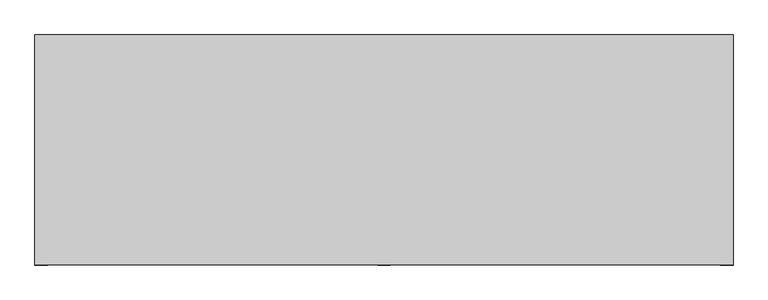
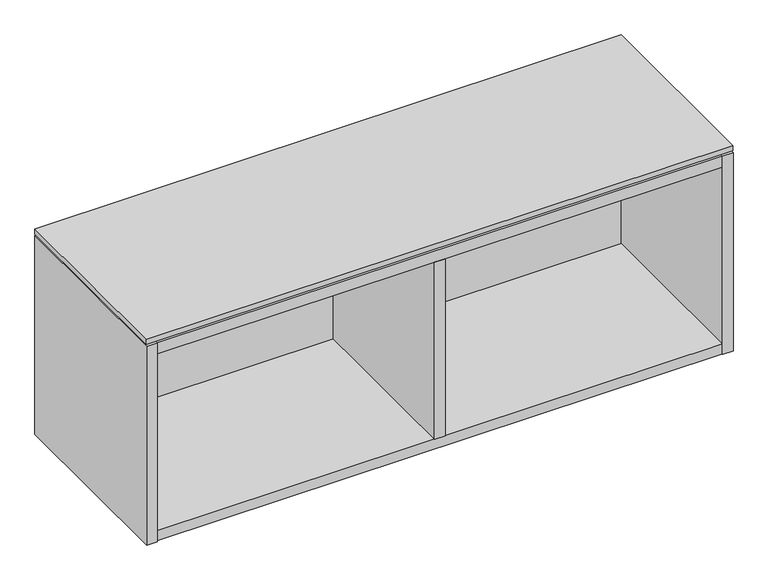
"""IFC4 building model written with IfcOpenShell, lengths in millimetres: furniture geometry."""

from ifc_helpers import new_model, si_unit, frame, origin, place, context, project, spatial, polyline, outline, extrude, faceted_brep, source, transform, mapped, element, save


def furniture_6424af9d(model_context):
    return source(origin(), model_context, "Body", "SolidModel", [
        extrude(outline(polyline([(606.6234375, -191.0115724), (-457.2, -191.0115724), (-457.2, 158.8226276), (606.6234375, 158.8226276), (606.6234375, -191.0115724)])), frame((0.0, 0.0, 917.702), z_axis=(0.0, 0.0, 1.0), x_axis=(1.0, 0.0, 0.0)), (0.0, 0.0, 1.0), 9.779),
        extrude(outline(polyline([(-437.896, 145.5282676), (-437.896, 158.8226276), (587.3194375, 158.8226276), (587.3194375, 145.5282676), (-437.896, 145.5282676)])), frame((0.0, 0.0, 816.51475), z_axis=(0.0, 0.0, 1.0), x_axis=(1.0, 0.0, 0.0)), (0.0, 0.0, 1.0), 76.2),
        extrude(outline(polyline([(84.3637187, -191.7735724), (65.0597187, -191.7735724), (65.0597187, 126.2242676), (84.3637187, 126.2242676), (84.3637187, -191.7735724)])), frame((0.0, 0.0, 553.466), z_axis=(0.0, 0.0, 1.0), x_axis=(1.0, 0.0, 0.0)), (0.0, 0.0, 1.0), 339.24875),
        faceted_brep([(587.3194375, -191.0115724, 553.466), (-437.896, -191.0115724, 553.466), (-437.896, -191.0115724, 534.162), (587.3194375, -191.0115724, 534.162), (-437.896, 145.5282676, 892.71475), (587.3194375, 145.5282676, 892.71475), (587.3194375, 145.5282676, 533.4), (-437.896, 145.5282676, 533.4), (587.3194375, 126.2242676, 553.466), (-437.896, 126.2242676, 553.466), (-437.896, 126.2242676, 534.162), (587.3194375, 126.2242676, 534.162), (-437.896, 158.8226276, 914.4), (-457.2, 158.8226276, 914.4), (-457.2, -191.7735724, 914.4), (-437.896, -191.7735724, 914.4), (587.3194375, -191.7735724, 914.4), (606.6234375, -191.7735724, 914.4), (606.6234375, 158.8226276, 914.4), (587.3194375, 158.8226276, 914.4), (-437.896, -191.7735724, 533.4), (-457.2, -191.7735724, 533.4), (-457.2, 158.8226276, 533.4), (-437.896, 158.8226276, 533.4), (587.3194375, 158.8226276, 533.4), (606.6234375, 158.8226276, 533.4), (606.6234375, -191.7735724, 533.4), (587.3194375, -191.7735724, 533.4), (587.3194375, 126.2242676, 533.4), (-437.896, 126.2242676, 533.4), (-437.896, 158.8226276, 913.638), (587.3194375, 158.8226276, 913.638), (587.3194375, 158.8226276, 892.71475), (-437.896, 158.8226276, 892.71475), (-437.896, 126.2242676, 892.71475), (-437.896, -191.0115724, 892.71475), (-437.896, -191.0115724, 913.638), (587.3194375, -191.0115724, 913.638), (587.3194375, -191.0115724, 892.71475), (587.3194375, 126.2242676, 892.71475)], [[[0, 1, 2, 3]], [[4, 5, 6, 7]], [[1, 0, 8, 9]], [[3, 2, 10, 11]], [[12, 13, 14, 15]], [[16, 17, 18, 19]], [[20, 21, 22, 23, 7, 6, 24, 25, 26, 27, 28, 29]], [[13, 12, 30, 31, 19, 18, 25, 24, 32, 33, 23, 22]], [[14, 13, 22, 21]], [[15, 14, 21, 20]], [[4, 7, 23, 33]], [[12, 15, 20, 29, 10, 2, 1, 9, 34, 35, 36, 30]], [[6, 5, 32, 24]], [[16, 19, 31, 37, 38, 39, 8, 0, 3, 11, 28, 27]], [[17, 16, 27, 26]], [[18, 17, 26, 25]], [[37, 36, 35, 38]], [[36, 37, 31, 30]], [[33, 32, 5, 4]], [[38, 35, 34, 39]], [[9, 8, 39, 34]], [[29, 28, 11, 10]]]),
    ])


if __name__ == "__main__":
    model = new_model("IFC4")
    model_context = context("Model", 3, world=origin())
    ifc_project = project(units=[si_unit("LENGTHUNIT", "METRE", prefix="MILLI")], contexts=[model_context])
    site = spatial("IfcSite", under=ifc_project)
    building = spatial("IfcBuilding", under=site)
    placement = place(None, origin())
    furniture_shape = furniture_6424af9d(model_context)
    element("IfcFurniture", 1, at=placement, inside=building, context=model_context, shape_type="MappedRepresentation", body=[
        mapped(furniture_shape, transform((0.0, 0.0, 0.0), x_axis=(1.0, 0.0, 0.0), y_axis=(0.0, 1.0, 0.0), z_axis=(0.0, 0.0, 1.0))),
    ])
    save(model, "model.ifc")
